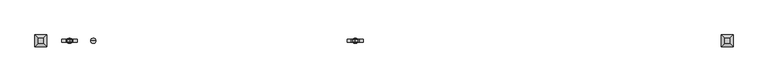
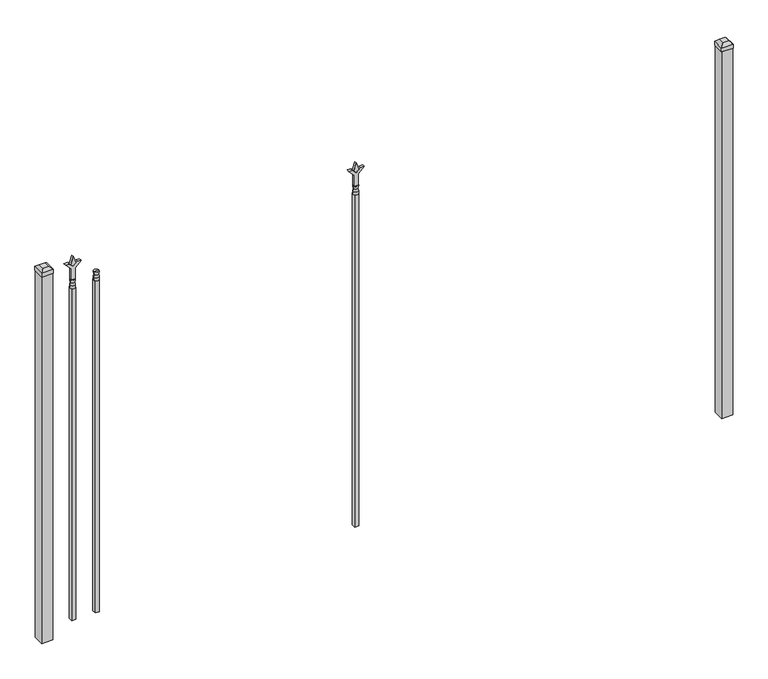
"""IFC4 building model written with IfcOpenShell, lengths in millimetres: railing geometry."""

import ifcopenshell
import ifcopenshell.guid

model = None  # the IFC model being written
_history = None  # IfcOwnerHistory: only IFC2X3 demands one
_inside = {}  # id of a spatial element -> (the spatial element, [elements in it])
_under = {}  # id of a project, library or spatial element -> (it, [spatial elements below it])
_declared = {}  # id of a project -> (the project, [libraries it declares])
_typed = {}  # id of a type object -> (the type object, [elements of that type])
_made_of = {}  # id of a material, layer set ... -> (it, [elements and type objects made of it])


def new_model(schema):
    """Start an empty IFC model of exactly this schema.

    Asked for "IFC4X3", IfcOpenShell would pick the latest addendum, in which some entities
    have other attributes; the version numbers below select the first issue.
    IFC2X3 requires an IfcOwnerHistory on every rooted entity: one is made here for all.
    """
    global model, _history
    if schema == "IFC4X3":
        model = ifcopenshell.file(schema_version=(4, 3, 0, 0))
    else:
        model = ifcopenshell.file(schema=schema)
    _inside.clear()
    _under.clear()
    _declared.clear()
    _typed.clear()
    _made_of.clear()
    _history = None
    if model.schema == "IFC2X3":
        org = make("IfcOrganization", Name="unknown")
        user = make(
            "IfcPersonAndOrganization",
            ThePerson=make("IfcPerson", FamilyName="unknown"),
            TheOrganization=org,
        )
        app = make(
            "IfcApplication",
            ApplicationDeveloper=org,
            Version="unknown",
            ApplicationFullName="unknown",
            ApplicationIdentifier="unknown",
        )
        _history = make(
            "IfcOwnerHistory",
            OwningUser=user,
            OwningApplication=app,
            ChangeAction="ADDED",
            CreationDate=0,
        )
    return model


def make(cls, **values):
    """One entity of the class cls with the attributes given. An attribute that is None is left unset."""
    return model.create_entity(
        cls, **{name: value for name, value in values.items() if value is not None}
    )


def rooted(cls, **values):
    """An entity with a GlobalId (a new one), such as an element, a storey or a relation."""
    return make(cls, GlobalId=ifcopenshell.guid.new(), OwnerHistory=_history, **values)


def si_unit(unit_type, name, prefix=None):
    """IfcSIUnit, for example si_unit("LENGTHUNIT", "METRE", prefix="MILLI")."""
    return make("IfcSIUnit", UnitType=unit_type, Prefix=prefix, Name=name)


def assignment(units):
    """IfcUnitAssignment: the units of a project."""
    return None if units is None else make("IfcUnitAssignment", Units=units)


def point(xyz):
    """IfcCartesianPoint."""
    return None if xyz is None else make("IfcCartesianPoint", Coordinates=xyz)


def direction(xyz):
    """IfcDirection."""
    return None if xyz is None else make("IfcDirection", DirectionRatios=xyz)


def frame(location, z_axis=None, x_axis=None):
    """IfcAxis2Placement3D, a coordinate frame: its origin and axes. An axis left out is left unset."""
    return make(
        "IfcAxis2Placement3D",
        Location=point(location),
        Axis=direction(z_axis),
        RefDirection=direction(x_axis),
    )


def origin():
    """The frame at (0, 0, 0) with its axes left unset."""
    return frame((0.0, 0.0, 0.0))


def origin_with_axes():
    """The frame at (0, 0, 0) with the z axis (0, 0, 1) and the x axis (1, 0, 0) written out."""
    return frame((0.0, 0.0, 0.0), z_axis=(0.0, 0.0, 1.0), x_axis=(1.0, 0.0, 0.0))


def place(relative_to, where):
    """IfcLocalPlacement: puts the frame where relative to a parent placement (None: the world)."""
    return make(
        "IfcLocalPlacement", PlacementRelTo=relative_to, RelativePlacement=where
    )


def context(
    kind, dimensions, precision=None, world=None, true_north=None, identifier=None
):
    """IfcGeometricRepresentationContext, for example the 3D "Model" context."""
    return make(
        "IfcGeometricRepresentationContext",
        ContextIdentifier=identifier,
        ContextType=kind,
        CoordinateSpaceDimension=dimensions,
        Precision=precision,
        WorldCoordinateSystem=world,
        TrueNorth=true_north,
    )


def project(units=None, contexts=None):
    """IfcProject with its units and contexts."""
    return rooted(
        "IfcProject",
        Name="project",
        RepresentationContexts=contexts,
        UnitsInContext=assignment(units),
    )


def spatial(cls, under=None, at=None, **own):
    """A site, building, storey or space (cls), placed at a placement, below another one or the project."""
    s = rooted(cls, ObjectPlacement=at, **own)
    if under is not None:
        _under.setdefault(under.id(), (under, []))[1].append(s)
    return s


def polyline(points):
    """IfcPolyline through the points."""
    return make("IfcPolyline", Points=[point(p) for p in points])


def circle_curve(where, radius):
    """IfcCircle in the frame where."""
    return make("IfcCircle", Position=where, Radius=radius)


def outline(outer, holes=None, kind="AREA"):
    """IfcArbitraryClosedProfileDef: a profile drawn as a closed curve; with holes, ...WithVoids."""
    if holes is None:
        return make("IfcArbitraryClosedProfileDef", ProfileType=kind, OuterCurve=outer)
    return make(
        "IfcArbitraryProfileDefWithVoids",
        ProfileType=kind,
        OuterCurve=outer,
        InnerCurves=holes,
    )


def extrude(swept, where, along, depth):
    """IfcExtrudedAreaSolid: the profile swept, set in the frame where, extruded along a direction by depth."""
    return make(
        "IfcExtrudedAreaSolid",
        SweptArea=swept,
        Position=where,
        ExtrudedDirection=direction(along),
        Depth=depth,
    )


def faces_of(points, faces, orient=None, outer=None):
    """IfcFace entities. A face is a list of loops; a loop is a list of indices into points, from 0.

    orient and outer hold one flag for each loop. By default every Orientation is true, the
    first loop of a face is its IfcFaceOuterBound and the others are IfcFaceBound.
    """
    made = []
    for i, loops in enumerate(faces):
        bounds = []
        for j, loop in enumerate(loops):
            is_outer = j == 0 if outer is None else outer[i][j]
            bounds.append(
                make(
                    "IfcFaceOuterBound" if is_outer else "IfcFaceBound",
                    Bound=make("IfcPolyLoop", Polygon=[points[k] for k in loop]),
                    Orientation=True if orient is None else orient[i][j],
                )
            )
        made.append(make("IfcFace", Bounds=bounds))
    return made


def faceted_brep(points, faces, orient=None, outer=None, voids=None):
    """IfcFacetedBrep: a solid bounded by flat faces; with voids (closed shells), ...WithVoids."""
    shared = [point(p) for p in points]
    hull = make("IfcClosedShell", CfsFaces=faces_of(shared, faces, orient, outer))
    if voids is None:
        return make("IfcFacetedBrep", Outer=hull)
    return make(
        "IfcFacetedBrepWithVoids",
        Outer=hull,
        Voids=[
            make(cls, CfsFaces=faces_of(shared, fs, o, b)) for cls, fs, o, b in voids
        ],
    )


def shape(context_of_items, identifier, shape_type, items):
    """IfcShapeRepresentation: the items that make up one representation, for example the "Body"."""
    return make(
        "IfcShapeRepresentation",
        ContextOfItems=context_of_items,
        RepresentationIdentifier=identifier,
        RepresentationType=shape_type,
        Items=items,
    )


def source(mapping_origin, context_of_items, identifier, shape_type, items):
    """IfcRepresentationMap: a shape defined once, which mapped items show again and again."""
    return make(
        "IfcRepresentationMap",
        MappingOrigin=mapping_origin,
        MappedRepresentation=shape(context_of_items, identifier, shape_type, items),
    )


def transform(
    local_origin,
    x_axis=None,
    y_axis=None,
    z_axis=None,
    scale=None,
    scale2=None,
    scale3=None,
    uniform=True,
):
    """IfcCartesianTransformationOperator3D, or its non-uniform kind. x_axis, y_axis, z_axis: its Axis1, 2, 3."""
    if uniform:
        return make(
            "IfcCartesianTransformationOperator3D",
            Axis1=direction(x_axis),
            Axis2=direction(y_axis),
            LocalOrigin=point(local_origin),
            Scale=scale,
            Axis3=direction(z_axis),
        )
    return make(
        "IfcCartesianTransformationOperator3DnonUniform",
        Axis1=direction(x_axis),
        Axis2=direction(y_axis),
        LocalOrigin=point(local_origin),
        Scale=scale,
        Axis3=direction(z_axis),
        Scale2=scale2,
        Scale3=scale3,
    )


def mapped(mapping_source, mapping_target):
    """IfcMappedItem: shows the shape of a source again, moved by a transform."""
    return make(
        "IfcMappedItem", MappingSource=mapping_source, MappingTarget=mapping_target
    )


def made_of(thing, what):
    """Note that an element or type object is made of a material, layer set ...; save() writes the relation."""
    if what is not None:
        _made_of.setdefault(what.id(), (what, []))[1].append(thing)
    return thing


def element(
    cls,
    number,
    at=None,
    inside=None,
    cuts=None,
    type_object=None,
    material=None,
    context=None,
    identifier="Body",
    shape_type=None,
    held_by="IfcProductDefinitionShape",
    body=None,
    shapes=None,
    **own,
):
    """One element of the class cls, such as IfcWall. Its Tag is "e" and its number.

    at: its placement. inside: the storey or other place that contains it. cuts: it is an
    opening in that element (IfcRelVoidsElement). A single representation is given by context,
    identifier, shape_type and body (its items); several are given by shapes. held_by: the class
    of the entity that holds the representations. save() writes the other relations.
    """
    e = rooted(cls, Tag="e%d" % number, ObjectPlacement=at, **own)
    if body is not None:
        shapes = [shape(context, identifier, shape_type, body)]
    if shapes is not None:
        e.Representation = make(held_by, Representations=shapes)
    if inside is not None:
        _inside.setdefault(inside.id(), (inside, []))[1].append(e)
    if cuts is not None:
        rooted(
            "IfcRelVoidsElement", RelatingBuildingElement=cuts, RelatedOpeningElement=e
        )
    if type_object is not None:
        _typed.setdefault(type_object.id(), (type_object, []))[1].append(e)
    return made_of(e, material)


def aggregate(whole, parts):
    """IfcRelAggregates: a whole, such as a stair, and the parts it consists of."""
    return rooted("IfcRelAggregates", RelatingObject=whole, RelatedObjects=parts)


def save(model, path):
    """Write the relations noted so far, then the file.

    IfcRelAggregates (storeys below a building ...), IfcRelContainedInSpatialStructure (elements
    in a storey), IfcRelDefinesByType, IfcRelAssociatesMaterial and IfcRelDeclares: one each for
    every whole, place, type object, material and project.
    """
    for whole, parts in _under.values():
        aggregate(whole, parts)
    for where, things in _inside.values():
        rooted(
            "IfcRelContainedInSpatialStructure",
            RelatedElements=things,
            RelatingStructure=where,
        )
    for kind, things in _typed.values():
        rooted("IfcRelDefinesByType", RelatedObjects=things, RelatingType=kind)
    for what, things in _made_of.values():
        rooted("IfcRelAssociatesMaterial", RelatedObjects=things, RelatingMaterial=what)
    for by, libraries in _declared.values():
        rooted("IfcRelDeclares", RelatingContext=by, RelatedDefinitions=libraries)
    model.write(path)


def plane_surface(at):
    """IfcPlane: the flat surface through the origin of the frame at, square to its z axis."""
    return make("IfcPlane", Position=at)


def cylinder_surface(at, radius):
    """IfcCylindricalSurface: all points at the distance radius from the z axis of the frame at."""
    return make("IfcCylindricalSurface", Position=at, Radius=radius)


def revolved_surface(curve, axis_point, axis_direction):
    """IfcSurfaceOfRevolution: the curve turned about the line through axis_point along axis_direction."""
    return make(
        "IfcSurfaceOfRevolution",
        SweptCurve=make("IfcArbitraryOpenProfileDef", ProfileType="CURVE", Curve=curve),
        AxisPosition=make("IfcAxis1Placement", Location=point(axis_point), Axis=direction(axis_direction)),
    )


def advanced_brep(points, edges, surfaces, faces):
    """IfcAdvancedBrep: a solid bounded by faces that lie on surfaces and meet in shared edges.

    An edge is (start, end): straight between two places in points (the first is 0);
    or (start, end, curve); or (start, end, curve, False) where it runs against its curve.
    A face is (place in surfaces, loops), or (place, loops, False) where it looks against
    its surface's normal. A loop lists edges by number (the first is 1), with a minus sign
    where the edge is run from its end to its start. The first loop is the outer one.
    """
    corners = [point(p) for p in points]
    vertices = [make("IfcVertexPoint", VertexGeometry=c) for c in corners]
    made = []
    for start, end, *more in edges:
        made.append(
            make(
                "IfcEdgeCurve",
                EdgeStart=vertices[start],
                EdgeEnd=vertices[end],
                EdgeGeometry=more[0] if more else make("IfcPolyline", Points=[corners[start], corners[end]]),
                SameSense=more[1] if len(more) > 1 else True,
            )
        )
    hull = []
    for where, loops, *sense in faces:
        bounds = []
        for j, loop in enumerate(loops):
            ring = [make("IfcOrientedEdge", EdgeElement=made[abs(k) - 1], Orientation=k > 0) for k in loop]
            bounds.append(
                make(
                    "IfcFaceOuterBound" if j == 0 else "IfcFaceBound",
                    Bound=make("IfcEdgeLoop", EdgeList=ring),
                    Orientation=True,
                )
            )
        hull.append(make("IfcAdvancedFace", Bounds=bounds, FaceSurface=surfaces[where], SameSense=sense[0] if sense else True))
    return make("IfcAdvancedBrep", Outer=make("IfcClosedShell", CfsFaces=hull))


def railing_8aee4224(model_context):
    return source(origin(), model_context, "Body", "SolidModel", [
        advanced_brep(
        [(-67188.3764203, 5460.7429826, 1689.1), (-67212.1889203, 5460.7429826, 1689.1), (-67212.1889203, 5460.7429826, 1676.4), (-67188.3764203, 5460.7429826, 1676.4), (-67190.5817522, 5460.7429826, 1701.6070585), (-67209.9835884, 5460.7429826, 1701.6070585), (-67188.3764203, 5460.7429826, 1717.675), (-67212.1889203, 5460.7429826, 1717.675), (-67200.2826703, 5460.7429826, 1717.675), (-67200.2826703, 5460.7429826, 1676.4)],
        [
            (0, 1, circle_curve(frame((-67200.2826703, 5460.7429826, 1689.1), z_axis=(0.0, 0.0, -1.0), x_axis=(-1.0, 0.0, 0.0)), 11.90625)),
            (1, 2),
            (2, 3, circle_curve(frame((-67200.2826703, 5460.7429826, 1676.4), z_axis=(0.0, 0.0, 1.0), x_axis=(-1.0, 0.0, 0.0)), 11.90625)),
            (3, 0),
            (1, 0, circle_curve(frame((-67200.2826703, 5460.7429826, 1689.1), z_axis=(0.0, 0.0, -1.0), x_axis=(-1.0, 0.0, 0.0)), 11.90625)),
            (3, 2, circle_curve(frame((-67200.2826703, 5460.7429826, 1676.4), z_axis=(0.0, 0.0, 1.0), x_axis=(-1.0, 0.0, 0.0)), 11.90625)),
            (4, 5, circle_curve(frame((-67200.2826703, 5460.7429826, 1701.6070585), z_axis=(0.0, 0.0, -1.0), x_axis=(-1.0, 0.0, 0.0)), 9.7009181)),
            (5, 1),
            (0, 4),
            (5, 4, circle_curve(frame((-67200.2826703, 5460.7429826, 1701.6070585), z_axis=(0.0, 0.0, -1.0), x_axis=(-1.0, 0.0, 0.0)), 9.7009181)),
            (6, 7, circle_curve(frame((-67200.2826703, 5460.7429826, 1717.675), z_axis=(0.0, 0.0, -1.0), x_axis=(-1.0, 0.0, 0.0)), 11.90625)),
            (7, 5),
            (4, 6),
            (7, 6, circle_curve(frame((-67200.2826703, 5460.7429826, 1717.675), z_axis=(0.0, 0.0, -1.0), x_axis=(-1.0, 0.0, 0.0)), 11.90625)),
            (8, 7),
            (6, 8),
            (2, 9),
            (9, 3),
        ],
        [
            cylinder_surface(frame((-67200.2826703, 5460.7429826, 1676.4), z_axis=(0.0, 0.0, 1.0), x_axis=(-1.0, 0.0, 0.0)), 11.90625),
            revolved_surface(polyline([(-67212.1889203, 5460.7429826, 1689.1), (-67209.9835884, 5460.7429826, 1701.6070585)]), (-67200.2826703, 5460.7429826, 1676.4), (0.0, 0.0, 1.0)),
            revolved_surface(polyline([(-67209.9835884, 5460.7429826, 1701.6070585), (-67212.1889203, 5460.7429826, 1717.675)]), (-67200.2826703, 5460.7429826, 1676.4), (0.0, 0.0, 1.0)),
            plane_surface(frame((-67200.2826703, 5460.7429826, 1717.675), z_axis=(0.0, 0.0, 1.0), x_axis=(-1.0, 0.0, 0.0))),
            plane_surface(frame((-67200.2826703, 5460.7429826, 1676.4), z_axis=(0.0, 0.0, -1.0), x_axis=(-1.0, 0.0, 0.0))),
        ],
        [
            (0, [[1, 2, 3, 4]]),
            (0, [[5, -4, 6, -2]]),
            (1, [[7, 8, -1, 9]]),
            (1, [[10, -9, -5, -8]]),
            (2, [[11, 12, -7, 13]]),
            (2, [[14, -13, -10, -12]]),
            (3, [[15, -11, 16]]),
            (3, [[-16, -14, -15]]),
            (4, [[-3, 17, 18]]),
            (4, [[-6, -18, -17]]),
        ],
    ),
        extrude(outline(polyline([(-67209.8076703, 5470.2679826), (-67190.7576703, 5470.2679826), (-67190.7576703, 5451.2179826), (-67209.8076703, 5451.2179826), (-67209.8076703, 5470.2679826)])), frame((0.0, 0.0, 50.8), z_axis=(0.0, 0.0, 1.0), x_axis=(1.0, 0.0, 0.0)), (0.0, 0.0, 1.0), 1625.6),
        extrude(outline(polyline([(1793.08125, -65986.374337), (1828.8, -65998.280587), (1793.08125, -66010.186837), (1781.175, -65998.280587), (1793.08125, -65986.374337)])), frame((0.0, 5455.9804826, 0.0), z_axis=(0.0, 1.0, 0.0), x_axis=(0.0, 0.0, 1.0)), (0.0, 0.0, 1.0), 9.525),
        extrude(outline(polyline([(1717.675, -65989.549337), (1771.9457378, -65989.549337), (1799.1355122, -65962.3595625), (1799.1355122, -65980.3200747), (1781.175, -65998.280587), (1799.1355122, -66016.2410992), (1799.1355122, -66034.2016114), (1771.9457378, -66007.011837), (1717.675, -66007.011837), (1717.675, -65989.549337)])), frame((0.0, 5454.3929826, 0.0), z_axis=(0.0, 1.0, 0.0), x_axis=(0.0, 0.0, 1.0)), (0.0, 0.0, 1.0), 12.7),
        advanced_brep(
        [(-65986.374337, 5460.7429826, 1689.1), (-66010.186837, 5460.7429826, 1689.1), (-66010.186837, 5460.7429826, 1676.4), (-65986.374337, 5460.7429826, 1676.4), (-65988.5796688, 5460.7429826, 1701.6070585), (-66007.9815051, 5460.7429826, 1701.6070585), (-65986.374337, 5460.7429826, 1717.675), (-66010.186837, 5460.7429826, 1717.675), (-65998.280587, 5460.7429826, 1717.675), (-65998.280587, 5460.7429826, 1676.4)],
        [
            (0, 1, circle_curve(frame((-65998.280587, 5460.7429826, 1689.1), z_axis=(0.0, 0.0, -1.0), x_axis=(-1.0, 0.0, 0.0)), 11.90625)),
            (1, 2),
            (2, 3, circle_curve(frame((-65998.280587, 5460.7429826, 1676.4), z_axis=(0.0, 0.0, 1.0), x_axis=(-1.0, 0.0, 0.0)), 11.90625)),
            (3, 0),
            (1, 0, circle_curve(frame((-65998.280587, 5460.7429826, 1689.1), z_axis=(0.0, 0.0, -1.0), x_axis=(-1.0, 0.0, 0.0)), 11.90625)),
            (3, 2, circle_curve(frame((-65998.280587, 5460.7429826, 1676.4), z_axis=(0.0, 0.0, 1.0), x_axis=(-1.0, 0.0, 0.0)), 11.90625)),
            (4, 5, circle_curve(frame((-65998.280587, 5460.7429826, 1701.6070585), z_axis=(0.0, 0.0, -1.0), x_axis=(-1.0, 0.0, 0.0)), 9.7009181)),
            (5, 1),
            (0, 4),
            (5, 4, circle_curve(frame((-65998.280587, 5460.7429826, 1701.6070585), z_axis=(0.0, 0.0, -1.0), x_axis=(-1.0, 0.0, 0.0)), 9.7009181)),
            (6, 7, circle_curve(frame((-65998.280587, 5460.7429826, 1717.675), z_axis=(0.0, 0.0, -1.0), x_axis=(-1.0, 0.0, 0.0)), 11.90625)),
            (7, 5),
            (4, 6),
            (7, 6, circle_curve(frame((-65998.280587, 5460.7429826, 1717.675), z_axis=(0.0, 0.0, -1.0), x_axis=(-1.0, 0.0, 0.0)), 11.90625)),
            (8, 7),
            (6, 8),
            (2, 9),
            (9, 3),
        ],
        [
            cylinder_surface(frame((-65998.280587, 5460.7429826, 1676.4), z_axis=(0.0, 0.0, 1.0), x_axis=(-1.0, 0.0, 0.0)), 11.90625),
            revolved_surface(polyline([(-66010.186837, 5460.7429826, 1689.1), (-66007.9815051, 5460.7429826, 1701.6070585)]), (-65998.280587, 5460.7429826, 1676.4), (0.0, 0.0, 1.0)),
            revolved_surface(polyline([(-66007.9815051, 5460.7429826, 1701.6070585), (-66010.186837, 5460.7429826, 1717.675)]), (-65998.280587, 5460.7429826, 1676.4), (0.0, 0.0, 1.0)),
            plane_surface(frame((-65998.280587, 5460.7429826, 1717.675), z_axis=(0.0, 0.0, 1.0), x_axis=(-1.0, 0.0, 0.0))),
            plane_surface(frame((-65998.280587, 5460.7429826, 1676.4), z_axis=(0.0, 0.0, -1.0), x_axis=(-1.0, 0.0, 0.0))),
        ],
        [
            (0, [[1, 2, 3, 4]]),
            (0, [[5, -4, 6, -2]]),
            (1, [[7, 8, -1, 9]]),
            (1, [[10, -9, -5, -8]]),
            (2, [[11, 12, -7, 13]]),
            (2, [[14, -13, -10, -12]]),
            (3, [[15, -11, 16]]),
            (3, [[-16, -14, -15]]),
            (4, [[-3, 17, 18]]),
            (4, [[-6, -18, -17]]),
        ],
    ),
        extrude(outline(polyline([(-66007.805587, 5470.2679826), (-65988.755587, 5470.2679826), (-65988.755587, 5451.2179826), (-66007.805587, 5451.2179826), (-66007.805587, 5470.2679826)])), frame((0.0, 0.0, 50.8), z_axis=(0.0, 0.0, 1.0), x_axis=(1.0, 0.0, 0.0)), (0.0, 0.0, 1.0), 1625.6),
        extrude(outline(polyline([(1793.08125, -67297.649337), (1828.8, -67309.555587), (1793.08125, -67321.461837), (1781.175, -67309.555587), (1793.08125, -67297.649337)])), frame((0.0, 5455.9804826, 0.0), z_axis=(0.0, 1.0, 0.0), x_axis=(0.0, 0.0, 1.0)), (0.0, 0.0, 1.0), 9.525),
        extrude(outline(polyline([(1717.675, -67300.824337), (1771.9457378, -67300.824337), (1799.1355122, -67273.6345625), (1799.1355122, -67291.5950747), (1781.175, -67309.555587), (1799.1355122, -67327.5160992), (1799.1355122, -67345.4766114), (1771.9457378, -67318.286837), (1717.675, -67318.286837), (1717.675, -67300.824337)])), frame((0.0, 5454.3929826, 0.0), z_axis=(0.0, 1.0, 0.0), x_axis=(0.0, 0.0, 1.0)), (0.0, 0.0, 1.0), 12.7),
        advanced_brep(
        [(-67297.649337, 5460.7429826, 1689.1), (-67321.461837, 5460.7429826, 1689.1), (-67321.461837, 5460.7429826, 1676.4), (-67297.649337, 5460.7429826, 1676.4), (-67299.8546688, 5460.7429826, 1701.6070585), (-67319.2565051, 5460.7429826, 1701.6070585), (-67297.649337, 5460.7429826, 1717.675), (-67321.461837, 5460.7429826, 1717.675), (-67309.555587, 5460.7429826, 1717.675), (-67309.555587, 5460.7429826, 1676.4)],
        [
            (0, 1, circle_curve(frame((-67309.555587, 5460.7429826, 1689.1), z_axis=(0.0, 0.0, -1.0), x_axis=(-1.0, 0.0, 0.0)), 11.90625)),
            (1, 2),
            (2, 3, circle_curve(frame((-67309.555587, 5460.7429826, 1676.4), z_axis=(0.0, 0.0, 1.0), x_axis=(-1.0, 0.0, 0.0)), 11.90625)),
            (3, 0),
            (1, 0, circle_curve(frame((-67309.555587, 5460.7429826, 1689.1), z_axis=(0.0, 0.0, -1.0), x_axis=(-1.0, 0.0, 0.0)), 11.90625)),
            (3, 2, circle_curve(frame((-67309.555587, 5460.7429826, 1676.4), z_axis=(0.0, 0.0, 1.0), x_axis=(-1.0, 0.0, 0.0)), 11.90625)),
            (4, 5, circle_curve(frame((-67309.555587, 5460.7429826, 1701.6070585), z_axis=(0.0, 0.0, -1.0), x_axis=(-1.0, 0.0, 0.0)), 9.7009181)),
            (5, 1),
            (0, 4),
            (5, 4, circle_curve(frame((-67309.555587, 5460.7429826, 1701.6070585), z_axis=(0.0, 0.0, -1.0), x_axis=(-1.0, 0.0, 0.0)), 9.7009181)),
            (6, 7, circle_curve(frame((-67309.555587, 5460.7429826, 1717.675), z_axis=(0.0, 0.0, -1.0), x_axis=(-1.0, 0.0, 0.0)), 11.90625)),
            (7, 5),
            (4, 6),
            (7, 6, circle_curve(frame((-67309.555587, 5460.7429826, 1717.675), z_axis=(0.0, 0.0, -1.0), x_axis=(-1.0, 0.0, 0.0)), 11.90625)),
            (8, 7),
            (6, 8),
            (2, 9),
            (9, 3),
        ],
        [
            cylinder_surface(frame((-67309.555587, 5460.7429826, 1676.4), z_axis=(0.0, 0.0, 1.0), x_axis=(-1.0, 0.0, 0.0)), 11.90625),
            revolved_surface(polyline([(-67321.461837, 5460.7429826, 1689.1), (-67319.2565051, 5460.7429826, 1701.6070585)]), (-67309.555587, 5460.7429826, 1676.4), (0.0, 0.0, 1.0)),
            revolved_surface(polyline([(-67319.2565051, 5460.7429826, 1701.6070585), (-67321.461837, 5460.7429826, 1717.675)]), (-67309.555587, 5460.7429826, 1676.4), (0.0, 0.0, 1.0)),
            plane_surface(frame((-67309.555587, 5460.7429826, 1717.675), z_axis=(0.0, 0.0, 1.0), x_axis=(-1.0, 0.0, 0.0))),
            plane_surface(frame((-67309.555587, 5460.7429826, 1676.4), z_axis=(0.0, 0.0, -1.0), x_axis=(-1.0, 0.0, 0.0))),
        ],
        [
            (0, [[1, 2, 3, 4]]),
            (0, [[5, -4, 6, -2]]),
            (1, [[7, 8, -1, 9]]),
            (1, [[10, -9, -5, -8]]),
            (2, [[11, 12, -7, 13]]),
            (2, [[14, -13, -10, -12]]),
            (3, [[15, -11, 16]]),
            (3, [[-16, -14, -15]]),
            (4, [[-3, 17, 18]]),
            (4, [[-6, -18, -17]]),
        ],
    ),
        extrude(outline(polyline([(-67319.080587, 5470.2679826), (-67300.030587, 5470.2679826), (-67300.030587, 5451.2179826), (-67319.080587, 5451.2179826), (-67319.080587, 5470.2679826)])), frame((0.0, 0.0, 50.8), z_axis=(0.0, 0.0, 1.0), x_axis=(1.0, 0.0, 0.0)), (0.0, 0.0, 1.0), 1625.6),
        extrude(outline(polyline([(-64266.318087, 5486.1429826), (-64266.318087, 5435.3429826), (-64317.118087, 5435.3429826), (-64317.118087, 5486.1429826), (-64266.318087, 5486.1429826)])), origin_with_axes(), (0.0, 0.0, 1.0), 1797.05),
        faceted_brep([(-64318.705587, 5487.7304826, 1816.1), (-64318.705587, 5487.7304826, 1797.05), (-64318.705587, 5433.7554826, 1797.05), (-64318.705587, 5433.7554826, 1816.1), (-64306.005587, 5475.0304826, 1828.8), (-64306.005587, 5446.4554826, 1828.8), (-64264.730587, 5433.7554826, 1797.05), (-64264.730587, 5433.7554826, 1816.1), (-64277.430587, 5446.4554826, 1828.8), (-64264.730587, 5487.7304826, 1797.05), (-64264.730587, 5487.7304826, 1816.1), (-64277.430587, 5475.0304826, 1828.8)], [[[0, 1, 2, 3]], [[4, 0, 3, 5]], [[3, 2, 6, 7]], [[5, 3, 7, 8]], [[7, 6, 9, 10]], [[8, 7, 10, 11]], [[10, 9, 1, 0]], [[11, 10, 0, 4]], [[5, 8, 11, 4]], [[1, 9, 6, 2]]]),
        extrude(outline(polyline([(-67415.918087, 5486.1429826), (-67415.918087, 5435.3429826), (-67466.718087, 5435.3429826), (-67466.718087, 5486.1429826), (-67415.918087, 5486.1429826)])), origin_with_axes(), (0.0, 0.0, 1.0), 1797.05),
        faceted_brep([(-67468.305587, 5487.7304826, 1816.1), (-67468.305587, 5487.7304826, 1797.05), (-67468.305587, 5433.7554826, 1797.05), (-67468.305587, 5433.7554826, 1816.1), (-67455.605587, 5475.0304826, 1828.8), (-67455.605587, 5446.4554826, 1828.8), (-67414.330587, 5433.7554826, 1797.05), (-67414.330587, 5433.7554826, 1816.1), (-67427.030587, 5446.4554826, 1828.8), (-67414.330587, 5487.7304826, 1797.05), (-67414.330587, 5487.7304826, 1816.1), (-67427.030587, 5475.0304826, 1828.8)], [[[0, 1, 2, 3]], [[4, 0, 3, 5]], [[3, 2, 6, 7]], [[5, 3, 7, 8]], [[7, 6, 9, 10]], [[8, 7, 10, 11]], [[10, 9, 1, 0]], [[11, 10, 0, 4]], [[5, 8, 11, 4]], [[1, 9, 6, 2]]]),
    ])


if __name__ == "__main__":
    model = new_model("IFC4")
    model_context = context("Model", 3, world=origin())
    ifc_project = project(units=[si_unit("LENGTHUNIT", "METRE", prefix="MILLI")], contexts=[model_context])
    site = spatial("IfcSite", under=ifc_project)
    building = spatial("IfcBuilding", under=site)
    placement = place(None, origin())
    railing_shape = railing_8aee4224(model_context)
    element("IfcRailing", 1, at=placement, inside=building, context=model_context, shape_type="MappedRepresentation", body=[
        mapped(railing_shape, transform((0.0, 0.0, 0.0), x_axis=(1.0, 0.0, 0.0), y_axis=(0.0, 1.0, 0.0), z_axis=(0.0, 0.0, 1.0))),
    ])
    save(model, "model.ifc")
